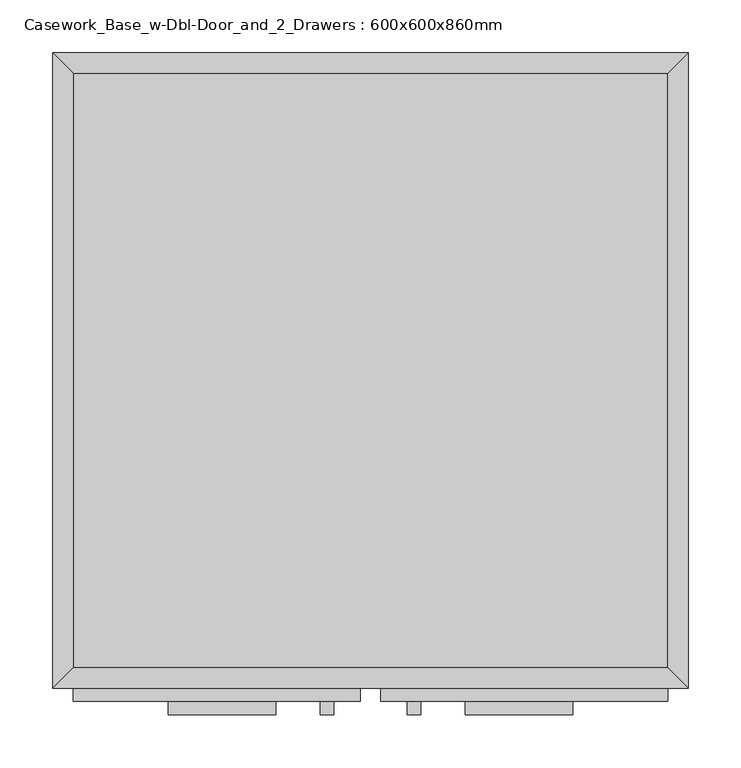
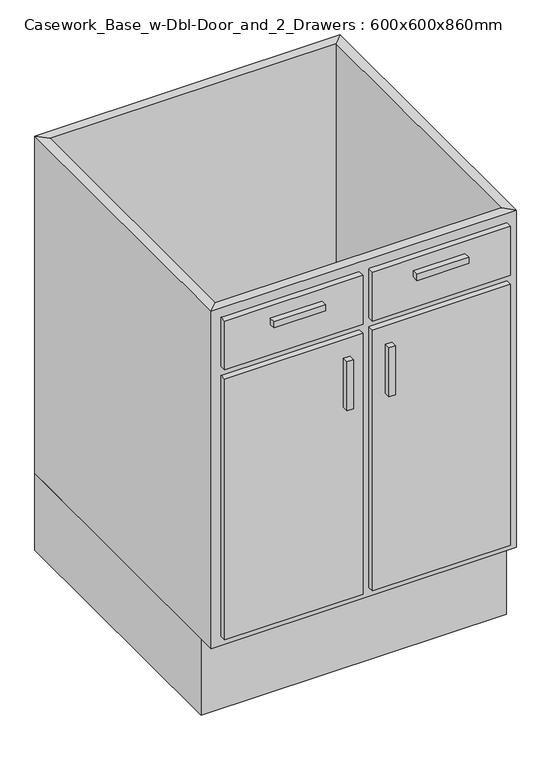
"""IFC4 building model written with IfcOpenShell, lengths in millimetres: furniture geometry, Casework_Base_w-Dbl-Door_and_2_Drawers : 600x600x860mm."""

from ifc_helpers import new_model, si_unit, frame, origin, origin_with_axes, place, context, project, spatial, polyline, outline, extrude, faceted_brep, source, transform, mapped, element, save


def casework_base_w_dbl_door_and_2_drawers_600x600x860mm_9f03d81e(model_context):
    return source(origin(), model_context, "Body", "SolidModel", [
        extrude(outline(polyline([(299.6877049, -19.05), (299.6877049, -580.95), (-262.2122951, -580.95), (-262.2122951, -19.05), (299.6877049, -19.05)])), frame((0.0, 0.0, 160.0), z_axis=(0.0, 0.0, 1.0), x_axis=(1.0, 0.0, 0.0)), (0.0, 0.0, 1.0), 19.05),
        faceted_brep([(299.6877049, -580.95, 860.0), (299.6877049, -580.95, 160.0), (-262.2122951, -580.95, 160.0), (-262.2122951, -580.95, 860.0), (318.7377049, -600.0, 860.0), (-281.2622951, -600.0, 860.0), (318.7377049, -600.0, 160.0), (-281.2622951, -600.0, 160.0), (-262.2122951, -19.05, 160.0), (-262.2122951, -19.05, 860.0), (-281.2622951, 0.0, 860.0), (-281.2622951, 0.0, 160.0), (299.6877049, -19.05, 160.0), (299.6877049, -19.05, 860.0), (318.7377049, 0.0, 860.0), (318.7377049, 0.0, 160.0)], [[[0, 1, 2, 3]], [[4, 0, 3, 5]], [[6, 4, 5, 7]], [[1, 6, 7, 2]], [[3, 2, 8, 9]], [[5, 3, 9, 10]], [[7, 5, 10, 11]], [[2, 7, 11, 8]], [[9, 8, 12, 13]], [[10, 9, 13, 14]], [[11, 10, 14, 15]], [[8, 11, 15, 12]], [[13, 12, 1, 0]], [[14, 13, 0, 4]], [[15, 14, 4, 6]], [[12, 15, 6, 1]]]),
        extrude(outline(polyline([(318.7377049, 0.0), (318.7377049, -565.0), (-281.2622951, -565.0), (-281.2622951, 0.0), (318.7377049, 0.0)])), origin_with_axes(), (0.0, 0.0, 1.0), 160.0),
        extrude(outline(polyline([(-70.9372951, -625.4), (-172.5372951, -625.4), (-172.5372951, -612.7), (-70.9372951, -612.7), (-70.9372951, -625.4)])), frame((0.0, 0.0, 802.85), z_axis=(0.0, 0.0, 1.0), x_axis=(1.0, 0.0, 0.0)), (0.0, 0.0, 1.0), 12.7),
        extrude(outline(polyline([(210.0127049, -625.4), (108.4127049, -625.4), (108.4127049, -612.7), (210.0127049, -612.7), (210.0127049, -625.4)])), frame((0.0, 0.0, 802.85), z_axis=(0.0, 0.0, 1.0), x_axis=(1.0, 0.0, 0.0)), (0.0, 0.0, 1.0), 12.7),
        extrude(outline(polyline([(-16.1872951, -625.4), (-28.8872951, -625.4), (-28.8872951, -612.7), (-16.1872951, -612.7), (-16.1872951, -625.4)])), frame((0.0, 0.0, 580.6), z_axis=(0.0, 0.0, 1.0), x_axis=(1.0, 0.0, 0.0)), (0.0, 0.0, 1.0), 101.6),
        extrude(outline(polyline([(66.3627049, -625.4), (53.6627049, -625.4), (53.6627049, -612.7), (66.3627049, -612.7), (66.3627049, -625.4)])), frame((0.0, 0.0, 580.6), z_axis=(0.0, 0.0, 1.0), x_axis=(1.0, 0.0, 0.0)), (0.0, 0.0, 1.0), 101.6),
        extrude(outline(polyline([(9.2127049, -612.7), (-262.2122951, -612.7), (-262.2122951, -600.0), (9.2127049, -600.0), (9.2127049, -612.7)])), frame((0.0, 0.0, 739.35), z_axis=(0.0, 0.0, 1.0), x_axis=(1.0, 0.0, 0.0)), (0.0, 0.0, 1.0), 101.6),
        extrude(outline(polyline([(299.6877049, -612.7), (28.2627049, -612.7), (28.2627049, -600.0), (299.6877049, -600.0), (299.6877049, -612.7)])), frame((0.0, 0.0, 739.35), z_axis=(0.0, 0.0, 1.0), x_axis=(1.0, 0.0, 0.0)), (0.0, 0.0, 1.0), 101.6),
        extrude(outline(polyline([(9.2127049, -612.7), (-262.2122951, -612.7), (-262.2122951, -600.0), (9.2127049, -600.0), (9.2127049, -612.7)])), frame((0.0, 0.0, 179.05), z_axis=(0.0, 0.0, 1.0), x_axis=(1.0, 0.0, 0.0)), (0.0, 0.0, 1.0), 541.25),
        extrude(outline(polyline([(299.6877049, -612.7), (28.2627049, -612.7), (28.2627049, -600.0), (299.6877049, -600.0), (299.6877049, -612.7)])), frame((0.0, 0.0, 179.05), z_axis=(0.0, 0.0, 1.0), x_axis=(1.0, 0.0, 0.0)), (0.0, 0.0, 1.0), 541.25),
    ])


if __name__ == "__main__":
    model = new_model("IFC4")
    model_context = context("Model", 3, world=origin())
    ifc_project = project(units=[si_unit("LENGTHUNIT", "METRE", prefix="MILLI")], contexts=[model_context])
    site = spatial("IfcSite", under=ifc_project)
    building = spatial("IfcBuilding", under=site)
    placement = place(None, origin())
    casework_base_w_dbl_door_and_2_drawers_600x600x860mm_shape = casework_base_w_dbl_door_and_2_drawers_600x600x860mm_9f03d81e(model_context)
    element("IfcFurniture", 1, ObjectType="Casework_Base_w-Dbl-Door_and_2_Drawers : 600x600x860mm", at=placement, inside=building, context=model_context, shape_type="MappedRepresentation", body=[
        mapped(casework_base_w_dbl_door_and_2_drawers_600x600x860mm_shape, transform((0.0, 0.0, 0.0), x_axis=(1.0, 0.0, 0.0), y_axis=(0.0, 1.0, 0.0), z_axis=(0.0, 0.0, 1.0))),
    ])
    save(model, "model.ifc")
